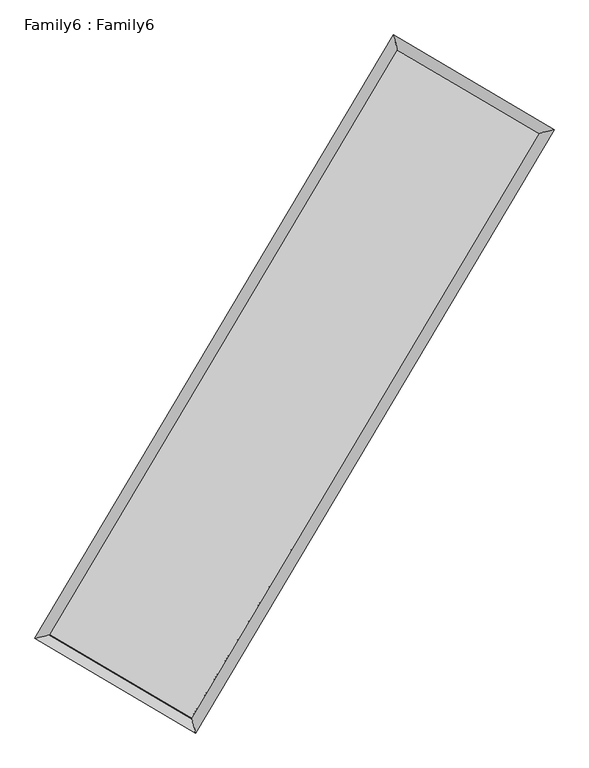
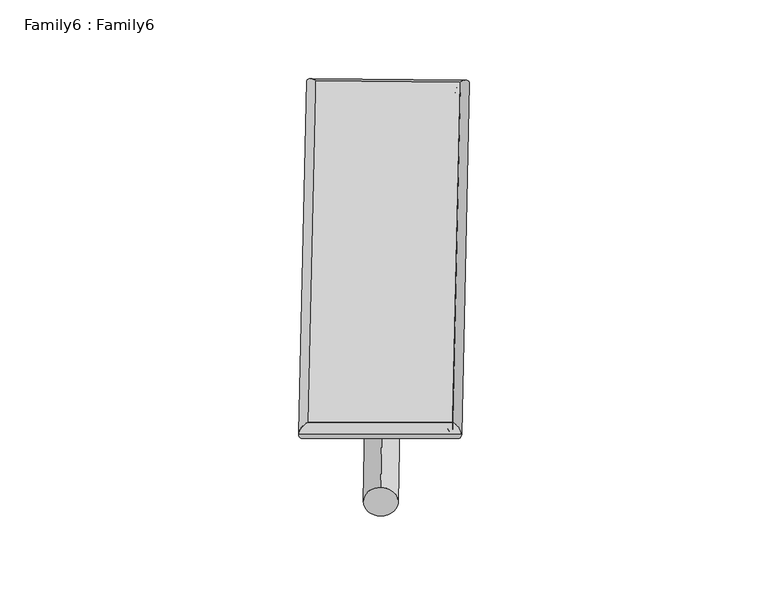
"""IFC4 building model written with IfcOpenShell, lengths in millimetres: plate geometry, Family6 : Family6."""

from ifc_helpers import new_model, si_unit, point, frame, origin, origin_2d, place, context, project, spatial, circle_curve, ellipse_curve, trimmed, segment, composite_curve, outline, extrude, source, transform, mapped, element, save
from ifc_brep_helpers import plane_surface, cylinder_surface, spline_surface, advanced_brep


def family6_family6_49787841(model_context):
    return source(origin(), model_context, "Body", "SolidModel", [
        extrude(outline(composite_curve([segment(trimmed(circle_curve(origin_2d(), 76.2), [point((-75.4341514, -10.7763074))], [point((75.4341514, 10.7763074))], False, "CARTESIAN"), True, "CONTINUOUS"), segment(trimmed(circle_curve(origin_2d(), 76.2), [point((75.4341514, 10.7763074))], [point((-75.4341514, -10.7763074))], False, "CARTESIAN"), True, "CONTINUOUS")], self_intersect=False)), frame((9144.0, 9144.0, 0.0), z_axis=(0.673710947715729, 0.6871310944636962, 0.2719640012007057), x_axis=(-0.6790740304768138, 0.7208017443486526, -0.13893633965206886)), (0.0, 0.0, 1.0), 5571.5287677),
        extrude(outline(composite_curve([segment(trimmed(circle_curve(origin_2d(), 76.2), [point((-53.8815367, 53.8815367))], [point((53.8815367, -53.8815367))], False, "CARTESIAN"), True, "CONTINUOUS"), segment(trimmed(circle_curve(origin_2d(), 76.2), [point((53.8815367, -53.8815367))], [point((-53.8815367, 53.8815367))], False, "CARTESIAN"), True, "CONTINUOUS")], self_intersect=False)), frame((9144.0, 9144.0, 0.0), z_axis=(-0.6738235384755054, -0.687027697631224, 0.27194628455613934), x_axis=(0.6405605079459165, -0.35969664415662833, 0.6784545377860843)), (0.0, 0.0, 1.0), 5571.9630262),
        extrude(outline(composite_curve([segment(trimmed(circle_curve(origin_2d(), 76.2), [point((-53.8815368, -53.8815367))], [point((53.8815368, 53.8815367))], False, "CARTESIAN"), True, "CONTINUOUS"), segment(trimmed(circle_curve(origin_2d(), 76.2), [point((53.8815368, 53.8815367))], [point((-53.8815368, -53.8815367))], False, "CARTESIAN"), True, "CONTINUOUS")], self_intersect=False)), frame((9144.0, 9144.0, 0.0), z_axis=(0.2812290572076489, 0.9194501084264382, 0.27481214583185426), x_axis=(-0.8387135340169107, 0.3746578323171877, -0.39521021816275265)), (0.0, 0.0, 1.0), 5565.37104),
        extrude(outline(composite_curve([segment(trimmed(circle_curve(origin_2d(), 76.2), [point((-75.4341514, 10.7763074))], [point((75.4341514, -10.7763074))], False, "CARTESIAN"), True, "CONTINUOUS"), segment(trimmed(circle_curve(origin_2d(), 76.2), [point((75.4341514, -10.7763074))], [point((-75.4341514, 10.7763074))], False, "CARTESIAN"), True, "CONTINUOUS")], self_intersect=False)), frame((9144.0, 9144.0, 0.0), z_axis=(-0.28102557144139223, -0.919498389292098, 0.27485876425043515), x_axis=(0.8763556615107261, -0.12913013427629388, 0.46403250205118607)), (0.0, 0.0, 1.0), 5564.3839119),
        advanced_brep(
        [(5180.2237132, 5262.1815068, 1516.4098118), (5598.7435231, 5369.6423159, 1516.7076976), (5598.7366017, 5369.6326349, 1514.1394736), (10762.5650025, 14052.764529, 1527.8816727), (10655.7230987, 14469.3974833, 1530.981443), (5180.2167918, 5262.1718258, 1513.8415877), (12688.4016154, 12918.7021083, 1515.406557), (13106.7982372, 13026.0392117, 1515.1039559), (7526.7716459, 4235.814687, 1529.1562184), (7633.760017, 3819.3012242, 1529.6831533)],
        [
            (0, 1, ellipse_curve(frame((5389.4801574, 5315.9070708, 1515.2746427), z_axis=(-0.24869370905379687, 0.9685775929447114, -0.0029808593549894807), x_axis=(-0.9685667164524209, -0.24870595106112806, -0.004885252025802887)), 216.0574701, 152.4)),
            (1, 2, ellipse_curve(frame((5389.4801574, 5315.9070708, 1515.2746427), z_axis=(-0.24869370905379687, 0.9685775929447114, -0.0029808593549894807), x_axis=(-0.9685667164524209, -0.24870595106112806, -0.004885252025802887)), 216.0574701, 152.4)),
            (2, 3),
            (3, 4, ellipse_curve(frame((10709.1440506, 14261.0810061, 1529.4315578), z_axis=(-0.9686469970266331, -0.24842327348865076, 0.0029786474227174236), x_axis=(0.2484071757305017, -0.9686432133498076, -0.004919377699921714)), 215.0632344, 152.4)),
            (4, 0),
            (2, 5, ellipse_curve(frame((5389.4801574, 5315.9070708, 1515.2746427), z_axis=(-0.24869370905379687, 0.9685775929447114, -0.0029808593549894807), x_axis=(-0.9685667164524209, -0.24870595106112806, -0.004885252025802887)), 216.0574701, 152.4)),
            (5, 0, ellipse_curve(frame((5389.4801574, 5315.9070708, 1515.2746427), z_axis=(-0.24869370905379687, 0.9685775929447114, -0.0029808593549894807), x_axis=(-0.9685667164524209, -0.24870595106112806, -0.004885252025802887)), 216.0574701, 152.4)),
            (4, 3, ellipse_curve(frame((10709.1440506, 14261.0810061, 1529.4315578), z_axis=(-0.9686469970266331, -0.24842327348865076, 0.0029786474227174236), x_axis=(0.2484071757305017, -0.9686432133498076, -0.004919377699921714)), 215.0632344, 152.4)),
            (3, 6),
            (6, 7, ellipse_curve(frame((12897.5999263, 12972.37066, 1515.2552565), z_axis=(-0.2484936784240914, 0.968628901058797, 0.002990621489178708), x_axis=(-0.9686179666837262, -0.24850599966405487, 0.004899259990287763)), 215.9747642, 152.4)),
            (7, 4),
            (7, 6, ellipse_curve(frame((12897.5999263, 12972.37066, 1515.2552565), z_axis=(-0.2484936784240914, 0.968628901058797, 0.002990621489178708), x_axis=(-0.9686179666837262, -0.24850599966405487, 0.004899259990287763)), 215.9747642, 152.4)),
            (6, 8),
            (8, 9, ellipse_curve(frame((7580.2658314, 4027.5579556, 1529.4196858), z_axis=(0.9685522871152364, 0.24879242482877326, 0.002965884634243583), x_axis=(-0.24877641748995927, 0.9685484969743144, -0.0049094917922019084)), 215.0190343, 152.4)),
            (9, 7),
            (9, 8, ellipse_curve(frame((7580.2658314, 4027.5579556, 1529.4196858), z_axis=(0.9685522871152364, 0.24879242482877326, 0.002965884634243583), x_axis=(-0.24877641748995927, 0.9685484969743144, -0.0049094917922019084)), 215.0190343, 152.4)),
            (8, 1),
            (5, 9),
        ],
        [
            cylinder_surface(frame((5389.4801574, 5315.9070708, 1515.2746427), z_axis=(-0.5111396468976215, -0.8594966032768251, -0.001360266508795904), x_axis=(-0.8594701303828478, 0.5111099519653572, 0.008815439958435407)), 152.4),
            cylinder_surface(frame((10709.1440506, 14261.0810061, 1529.4315578), z_axis=(-0.8616826558818209, 0.507416834876614, 0.005581777158779938), x_axis=(0.5074415262451953, 0.8616738512513594, 0.004612104898712326)), 152.4),
            cylinder_surface(frame((12897.5999263, 12972.37066, 1515.2552565), z_axis=(0.5109894928997607, 0.859585880131744, -0.001361184844426235), x_axis=(0.859586876495612, -0.5109894928997606, 0.00037403551017870385)), 152.4),
            cylinder_surface(frame((7580.2658314, 4027.5579556, 1529.4196858), z_axis=(0.8619807564180013, -0.5069104468178476, 0.005565471406851795), x_axis=(-0.5068963372844901, -0.8619985987238198, -0.003810386560387317)), 152.4),
        ],
        [
            (0, [[1, 2, 3, 4, 5]]),
            (0, [[6, 7, -5, 8, -3]]),
            (1, [[-4, 9, 10, 11]]),
            (1, [[-8, -11, 12, -9]]),
            (2, [[-10, 13, 14, 15]]),
            (2, [[-12, -15, 16, -13]]),
            (3, [[-14, 17, -1, -7, 18]]),
            (3, [[-16, -18, -6, -2, -17]]),
        ],
    ),
        extrude(outline(composite_curve([segment(trimmed(circle_curve(origin_2d(), 304.8), [point((0.0, -304.8))], [point((0.0, 304.8))], False, "CARTESIAN"), True, "CONTINUOUS"), segment(trimmed(circle_curve(origin_2d(), 304.8), [point((0.0, 304.8))], [point((0.0, -304.8))], False, "CARTESIAN"), True, "CONTINUOUS")], self_intersect=False)), frame((6481.3367546, 4648.984766, -8.18e-05), z_axis=(0.5096537114935813, 0.8603796222370781, 1.5666390136076126e-08), x_axis=(-0.8603796222370782, 0.5096537114935813, 4.291830432412751e-09)), (0.0, 0.0, 1.0), 10448.911429),
        advanced_brep(
        [(5389.4801574, 5315.9070708, 1515.2746427), (7580.2658314, 4027.5579556, 1529.4196858), (7580.2663964, 4027.5576664, 1681.8196858), (5389.4807224, 5315.9067816, 1667.6746427), (12897.5999263, 12972.37066, 1515.2552565), (12897.6004913, 12972.3703708, 1667.6552565), (10709.1440506, 14261.0810061, 1529.4315578), (10709.1446156, 14261.0807169, 1681.8315578)],
        [
            (0, 1),
            (1, 2),
            (2, 3),
            (3, 0),
            (1, 4),
            (4, 5),
            (5, 2),
            (4, 6),
            (6, 7),
            (7, 5),
            (6, 0),
            (3, 7),
        ],
        [
            plane_surface(frame((6484.8729944, 4671.7325132, 1522.3471642), z_axis=(-0.5069182988096108, -0.8619941057408171, 2.4339468668267347e-07), x_axis=(0.8619807564180013, -0.5069104468178476, 0.005565471406851797))),
            plane_surface(frame((10238.9328789, 8499.9643078, 1522.3374712), z_axis=(0.8595866735650947, -0.5109899711462239, -4.156527111191344e-06), x_axis=(0.5109894928997605, 0.8595858801317441, -0.001361184844426236))),
            plane_surface(frame((11803.3719884, 13616.7258331, 1522.3434072), z_axis=(0.5074247384782563, 0.8616960802859747, -2.4583781151705716e-07), x_axis=(-0.8616826558818209, 0.5074168348766143, 0.005581777158779942))),
            plane_surface(frame((8049.312104, 9788.4940385, 1522.3531003), z_axis=(-0.8594974013344684, 0.5111401149215542, 4.156481097027944e-06), x_axis=(-0.5111396468976218, -0.8594966032768249, -0.0013602665087959038))),
            spline_surface(1, 1, [[(7580.2663964, 4027.5576664, 1681.8196858), (5389.4807224, 5315.9067816, 1667.6746427)], [(12897.6004913, 12972.3703708, 1667.6552565), (10709.1446156, 14261.0807169, 1681.8315578)]], [2, 2], [2, 2], [0.0, 1.0], [0.0, 1.0]),
            spline_surface(1, 1, [[(10709.1440506, 14261.0810061, 1529.4315578), (5389.4801574, 5315.9070708, 1515.2746427)], [(12897.5999263, 12972.37066, 1515.2552565), (7580.2658314, 4027.5579556, 1529.4196858)]], [2, 2], [2, 2], [0.0, 1.0], [0.0, 1.0]),
        ],
        [
            (0, [[1, 2, 3, 4]]),
            (1, [[5, 6, 7, -2]]),
            (2, [[8, 9, 10, -6]]),
            (3, [[11, -4, 12, -9]]),
            (4, [[-3, -7, -10, -12]]),
            (5, [[-11, -8, -5, -1]]),
        ],
    ),
    ])


if __name__ == "__main__":
    model = new_model("IFC4")
    model_context = context("Model", 3, world=origin())
    ifc_project = project(units=[si_unit("LENGTHUNIT", "METRE", prefix="MILLI")], contexts=[model_context])
    site = spatial("IfcSite", under=ifc_project)
    building = spatial("IfcBuilding", under=site)
    placement = place(None, origin())
    family6_family6_shape = family6_family6_49787841(model_context)
    element("IfcPlate", 1, ObjectType="Family6 : Family6", at=placement, inside=building, context=model_context, shape_type="MappedRepresentation", body=[
        mapped(family6_family6_shape, transform((0.0, 0.0, 0.0), x_axis=(1.0, 0.0, 0.0), y_axis=(0.0, 1.0, 0.0), z_axis=(0.0, 0.0, 1.0))),
    ])
    save(model, "model.ifc")
